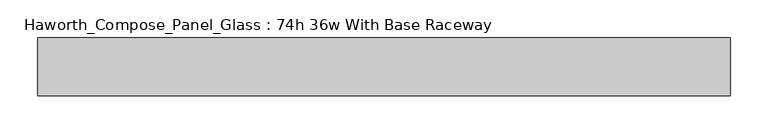
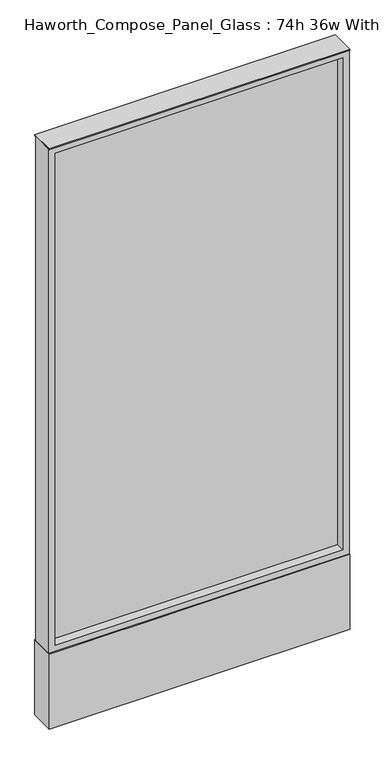
"""IFC4 building model written with IfcOpenShell, lengths in millimetres: furniture geometry, Haworth_Compose_Panel_Glass : 74h 36w With Base Raceway."""

from ifc_helpers import new_model, si_unit, point, frame, frame_2d, origin, origin_with_axes, place, context, project, spatial, polyline, circle_curve, trimmed, segment, composite_curve, outline, extrude, source, transform, mapped, element, save


def haworth_compose_panel_glass_74h_36w_with_base_raceway_026e72d6(model_context):
    return source(origin(), model_context, "Body", "SweptSolid", [
        extrude(outline(composite_curve([segment(trimmed(circle_curve(frame_2d((383.4402902, 0.0)), 12.7), [point((370.7402902, 0.0))], [point((396.1402902, 0.0))], False, "CARTESIAN"), True, "CONTINUOUS"), segment(trimmed(circle_curve(frame_2d((383.4402902, 0.0)), 12.7), [point((396.1402902, 0.0))], [point((370.7402902, 0.0))], False, "CARTESIAN"), True, "CONTINUOUS")], self_intersect=False)), origin_with_axes(), (0.0, 0.0, 1.0), 12.7),
        extrude(outline(composite_curve([segment(trimmed(circle_curve(frame_2d((-378.5597098, 0.0)), 12.7), [point((-391.2597098, 0.0))], [point((-365.8597098, 0.0))], False, "CARTESIAN"), True, "CONTINUOUS"), segment(trimmed(circle_curve(frame_2d((-378.5597098, 0.0)), 12.7), [point((-365.8597098, 0.0))], [point((-391.2597098, 0.0))], False, "CARTESIAN"), True, "CONTINUOUS")], self_intersect=False)), origin_with_axes(), (0.0, 0.0, 1.0), 12.7),
        extrude(outline(polyline([(440.5902902, -6.35), (-435.7097098, -6.35), (-435.7097098, 6.35), (440.5902902, 6.35), (440.5902902, -6.35)])), frame((0.0, 0.0, 273.05), z_axis=(0.0, 0.0, 1.0), x_axis=(1.0, 0.0, 0.0)), (0.0, 0.0, 1.0), 1581.15),
        extrude(outline(polyline([(1873.25, -454.7597098), (254.0, -454.7597098), (254.0, 459.6402902), (1873.25, 459.6402902), (1873.25, -454.7597098)]), holes=[polyline([(1854.2, 440.5902902), (273.05, 440.5902902), (273.05, -435.7097098), (1854.2, -435.7097098), (1854.2, 440.5902902)])]), frame((0.0, -34.925, 0.0), z_axis=(0.0, 1.0, 0.0), x_axis=(0.0, 0.0, 1.0)), (0.0, 0.0, 1.0), 69.85),
        extrude(outline(polyline([(-454.7597098, 38.1), (459.6402902, 38.1), (459.6402902, -38.1), (-454.7597098, -38.1), (-454.7597098, 38.1)])), frame((0.0, 0.0, 12.7), z_axis=(0.0, 0.0, 1.0), x_axis=(1.0, 0.0, 0.0)), (0.0, 0.0, 1.0), 241.3),
        extrude(outline(polyline([(-454.7597098, -38.1), (-454.7597098, 38.1), (459.6402902, 38.1), (459.6402902, -38.1), (-454.7597098, -38.1)])), frame((0.0, 0.0, 1873.25), z_axis=(0.0, 0.0, 1.0), x_axis=(1.0, 0.0, 0.0)), (0.0, 0.0, 1.0), 3.175),
    ])


if __name__ == "__main__":
    model = new_model("IFC4")
    model_context = context("Model", 3, world=origin())
    ifc_project = project(units=[si_unit("LENGTHUNIT", "METRE", prefix="MILLI")], contexts=[model_context])
    site = spatial("IfcSite", under=ifc_project)
    building = spatial("IfcBuilding", under=site)
    placement = place(None, origin())
    haworth_compose_panel_glass_74h_36w_with_base_raceway_shape = haworth_compose_panel_glass_74h_36w_with_base_raceway_026e72d6(model_context)
    element("IfcFurniture", 1, ObjectType="Haworth_Compose_Panel_Glass : 74h 36w With Base Raceway", at=placement, inside=building, context=model_context, shape_type="MappedRepresentation", body=[
        mapped(haworth_compose_panel_glass_74h_36w_with_base_raceway_shape, transform((0.0, 0.0, 0.0), x_axis=(1.0, 0.0, 0.0), y_axis=(0.0, 1.0, 0.0), z_axis=(0.0, 0.0, 1.0))),
    ])
    save(model, "model.ifc")
